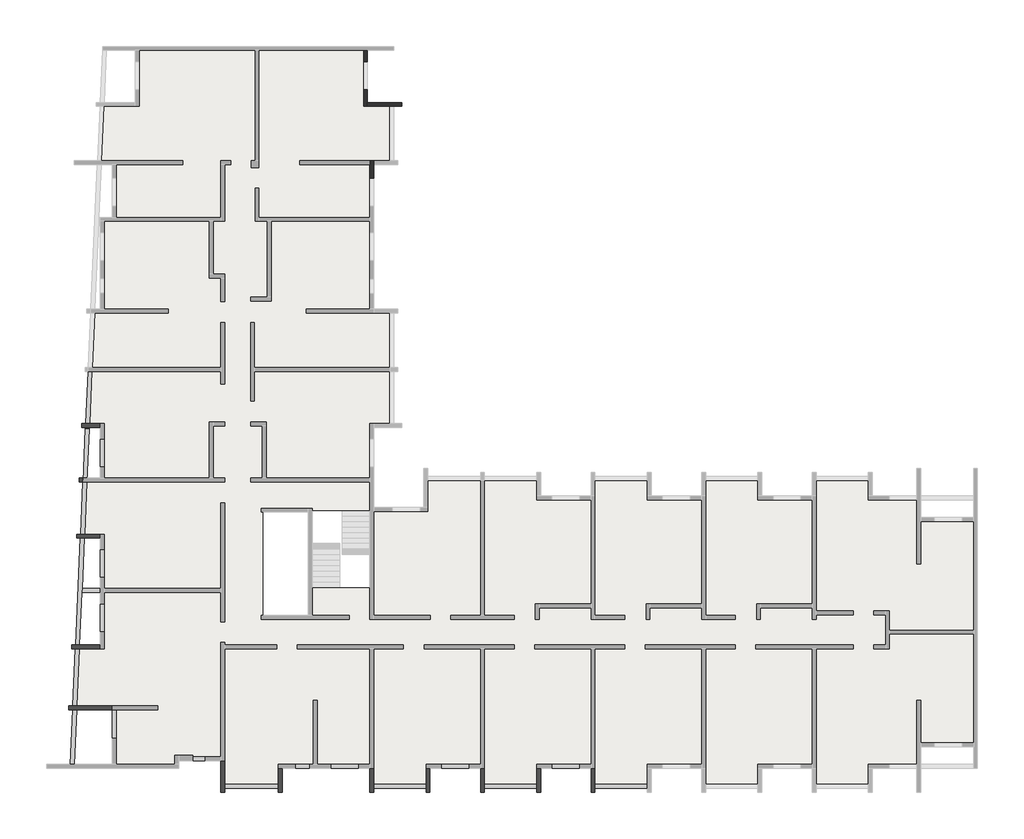
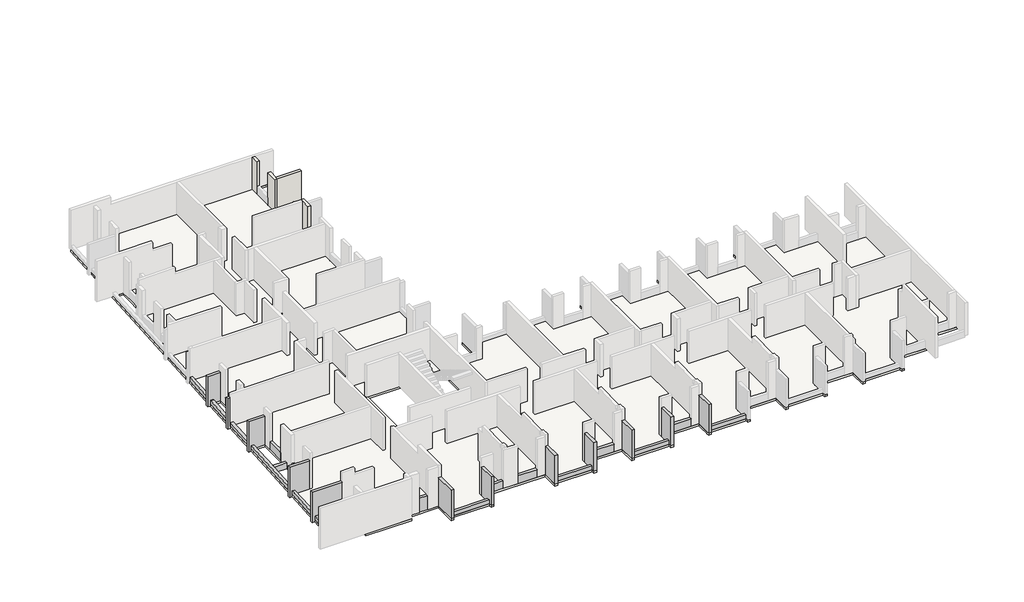
# One storey, part 3 of 4: 33 beams, 4 walls, 1 slab.
"""IFC4 building model written with IfcOpenShell, lengths in millimetres."""

from ifc_helpers import new_model, si_unit, frame, origin, place, context, project, spatial, polyline, outline, extrude, faceted_brep, element, save

model = new_model("IFC4")

# Units and contexts
model_context = context("Model", 3, world=origin())
ifc_project = project(units=[si_unit("LENGTHUNIT", "METRE", prefix="MILLI")], contexts=[model_context])

# Site, building, storey
site = spatial("IfcSite", under=ifc_project)
building = spatial("IfcBuilding", under=site)
storey = spatial("IfcBuildingStorey", under=building, Elevation=14820.0)

# Beams
placement = place(None, origin())
element("IfcBeam", 1, ObjectType="VI. 20/125", at=placement, inside=storey, context=model_context, shape_type="SweptSolid", body=[
    extrude(outline(polyline([(-37760.6912908, -18849.0672499), (-37760.6912908, -19049.0672499), (-38350.6912908, -19049.0672499), (-38350.6912908, -18849.0672499), (-37760.6912908, -18849.0672499)])), frame((0.0, 0.0, 14820.0), z_axis=(0.0, 0.0, 1.0), x_axis=(1.0, 0.0, 0.0)), (0.0, 0.0, 1.0), 1100.0),
])
element("IfcBeam", 2, ObjectType="VI. 20/238", at=placement, inside=storey, context=model_context, shape_type="Brep", body=[
    faceted_brep([(-17885.6912908, -20669.0672499, 17050.0), (-17885.6912908, -20669.0672499, 14670.0), (-17685.6912908, -20669.0672499, 14670.0), (-17685.6912908, -20669.0672499, 17050.0), (-17885.6912908, -19419.0672499, 17050.0), (-17685.6912908, -19419.0672499, 17050.0), (-17685.6912908, -19419.0672499, 14820.0), (-17885.6912908, -19419.0672499, 14820.0), (-17885.6912908, -20449.0672499, 14820.0), (-17885.6912908, -20449.0672499, 14670.0), (-17685.6912908, -20449.0672499, 14670.0), (-17685.6912908, -20449.0672499, 14820.0), (-17685.6912908, -20249.0672499, 14820.0)], [[[0, 1, 2, 3]], [[4, 5, 6, 7]], [[1, 0, 4, 7, 8, 9]], [[2, 1, 9, 10]], [[3, 2, 10, 11, 12, 6, 5]], [[0, 3, 5, 4]], [[8, 11, 10, 9]], [[11, 8, 7, 6, 12]]]),
])
element("IfcBeam", 3, ObjectType="VI. 20/238", at=placement, inside=storey, context=model_context, shape_type="Brep", body=[
    faceted_brep([(-20485.6912908, -20669.0672499, 17050.0), (-20685.6912908, -20669.0672499, 17050.0), (-20685.6912908, -20669.0672499, 14820.0), (-20485.6912908, -20669.0672499, 14820.0), (-20685.6912908, -19419.0672499, 17050.0), (-20485.6912908, -19419.0672499, 17050.0), (-20485.6912908, -19419.0672499, 14820.0), (-20685.6912908, -19419.0672499, 14820.0), (-20685.6912908, -20249.0672499, 14820.0), (-20685.6912908, -20449.0672499, 14820.0)], [[[0, 1, 2, 3]], [[4, 5, 6, 7]], [[1, 4, 7, 8, 9, 2]], [[5, 0, 3, 6]], [[1, 0, 5, 4]], [[3, 2, 9, 8, 7, 6]]]),
])
element("IfcBeam", 4, ObjectType="VI. 20/238", at=placement, inside=storey, context=model_context, shape_type="Brep", body=[
    faceted_brep([(-23575.6912908, -20669.0672499, 17050.0), (-23575.6912908, -20669.0672499, 14670.0), (-23375.6912908, -20669.0672499, 14670.0), (-23375.6912908, -20669.0672499, 17050.0), (-23575.6912908, -19419.0672499, 17050.0), (-23375.6912908, -19419.0672499, 17050.0), (-23375.6912908, -19419.0672499, 14820.0), (-23575.6912908, -19419.0672499, 14820.0), (-23575.6912908, -20449.0672499, 14820.0), (-23575.6912908, -20449.0672499, 14670.0), (-23375.6912908, -20449.0672499, 14670.0), (-23375.6912908, -20449.0672499, 14820.0), (-23375.6912908, -20249.0672499, 14820.0)], [[[0, 1, 2, 3]], [[4, 5, 6, 7]], [[1, 0, 4, 7, 8, 9]], [[2, 1, 9, 10]], [[3, 2, 10, 11, 12, 6, 5]], [[0, 3, 5, 4]], [[8, 11, 10, 9]], [[11, 8, 7, 6, 12]]]),
])
element("IfcBeam", 5, ObjectType="VI. 20/238", at=placement, inside=storey, context=model_context, shape_type="Brep", body=[
    faceted_brep([(-26175.6912908, -20669.0672499, 17050.0), (-26375.6912908, -20669.0672499, 17050.0), (-26375.6912908, -20669.0672499, 14820.0), (-26175.6912908, -20669.0672499, 14820.0), (-26375.6912908, -19419.0672499, 17050.0), (-26175.6912908, -19419.0672499, 17050.0), (-26175.6912908, -19419.0672499, 14820.0), (-26375.6912908, -19419.0672499, 14820.0), (-26375.6912908, -20249.0672499, 14820.0), (-26375.6912908, -20449.0672499, 14820.0)], [[[0, 1, 2, 3]], [[4, 5, 6, 7]], [[1, 4, 7, 8, 9, 2]], [[5, 0, 3, 6]], [[1, 0, 5, 4]], [[3, 2, 9, 8, 7, 6]]]),
])
element("IfcBeam", 6, ObjectType="VI. 20/238", at=placement, inside=storey, context=model_context, shape_type="Brep", body=[
    faceted_brep([(-29265.6912908, -20669.0672499, 17050.0), (-29265.6912908, -20669.0672499, 14670.0), (-29065.6912908, -20669.0672499, 14670.0), (-29065.6912908, -20669.0672499, 17050.0), (-29265.6912908, -19419.0672499, 17050.0), (-29065.6912908, -19419.0672499, 17050.0), (-29065.6912908, -19419.0672499, 14820.0), (-29265.6912908, -19419.0672499, 14820.0), (-29265.6912908, -20449.0672499, 14820.0), (-29265.6912908, -20449.0672499, 14670.0), (-29065.6912908, -20449.0672499, 14670.0), (-29065.6912908, -20449.0672499, 14820.0), (-29065.6912908, -20249.0672499, 14820.0)], [[[0, 1, 2, 3]], [[4, 5, 6, 7]], [[1, 0, 4, 7, 8, 9]], [[2, 1, 9, 10]], [[3, 2, 10, 11, 12, 6, 5]], [[0, 3, 5, 4]], [[8, 11, 10, 9]], [[11, 8, 7, 6, 12]]]),
])
element("IfcBeam", 7, ObjectType="VI. 20/238", at=placement, inside=storey, context=model_context, shape_type="Brep", body=[
    faceted_brep([(-33785.6912908, -20669.0672499, 17050.0), (-33985.6912908, -20669.0672499, 17050.0), (-33985.6912908, -20669.0672499, 14820.0), (-33785.6912908, -20669.0672499, 14820.0), (-33985.6912908, -19419.0672499, 17050.0), (-33785.6912908, -19419.0672499, 17050.0), (-33785.6912908, -19419.0672499, 14820.0), (-33985.6912908, -19419.0672499, 14820.0), (-33985.6912908, -20249.0672499, 14820.0), (-33985.6912908, -20449.0672499, 14820.0)], [[[0, 1, 2, 3]], [[4, 5, 6, 7]], [[1, 4, 7, 8, 9, 2]], [[5, 0, 3, 6]], [[1, 0, 5, 4]], [[3, 2, 9, 8, 7, 6]]]),
])
element("IfcBeam", 8, ObjectType="VI. 20/238", at=placement, inside=storey, context=model_context, shape_type="Brep", body=[
    faceted_brep([(-36735.6912908, -20669.0672499, 17050.0), (-36935.6912908, -20669.0672499, 17050.0), (-36935.6912908, -20669.0672499, 14820.0), (-36735.6912908, -20669.0672499, 14820.0), (-36935.6912908, -19049.0672499, 17050.0), (-36735.6912908, -19049.0672499, 17050.0), (-36735.6912908, -19049.0672499, 14820.0), (-36935.6912908, -19049.0672499, 14820.0), (-36735.6912908, -20449.0672499, 14820.0), (-36735.6912908, -20249.0672499, 14820.0)], [[[0, 1, 2, 3]], [[4, 5, 6, 7]], [[1, 4, 7, 2]], [[5, 0, 3, 8, 9, 6]], [[1, 0, 5, 4]], [[3, 2, 7, 6, 9, 8]]]),
])
element("IfcBeam", 9, ObjectType="VI. 20/238", at=placement, inside=storey, context=model_context, shape_type="Brep", body=[
    faceted_brep([(-44760.6912908, -16219.0891641, 17050.0), (-44760.6912908, -16219.0891641, 14670.0), (-44760.6912908, -16419.0891641, 14670.0), (-44760.6912908, -16419.0891641, 17050.0), (-42525.6912908, -16219.0891641, 17050.0), (-42525.6912908, -16219.0891641, 14820.0), (-44352.8043976, -16219.0891641, 14820.0), (-44553.0100894, -16219.0891641, 14820.0), (-44553.0100894, -16219.0891641, 14670.0), (-44562.0830718, -16419.0891641, 14670.0), (-44562.0830718, -16419.0891641, 14820.0), (-44361.876386, -16419.0891641, 14820.0), (-42525.6912908, -16419.0891641, 14820.0), (-42525.6912908, -16419.0891641, 17050.0)], [[[0, 1, 2, 3]], [[1, 0, 4, 5, 6, 7, 8]], [[2, 1, 8, 9]], [[3, 2, 9, 10, 11, 12, 13]], [[0, 3, 13, 4]], [[7, 10, 9, 8]], [[10, 7, 6, 5, 12, 11]], [[5, 4, 13, 12]]]),
])
element("IfcBeam", 10, ObjectType="VI. 20/238", at=placement, inside=storey, context=model_context, shape_type="Brep", body=[
    faceted_brep([(-44615.6912908, -13079.0891641, 17050.0), (-44615.6912908, -13079.0891641, 14670.0), (-44615.6912908, -13279.0891641, 14670.0), (-44615.6912908, -13279.0891641, 17050.0), (-43135.6912908, -13079.0891641, 17050.0), (-43135.6912908, -13079.0891641, 14820.0), (-44210.3575789, -13079.0891641, 14820.0), (-44410.5642648, -13079.0891641, 14820.0), (-44410.5642648, -13079.0891641, 14670.0), (-44419.6372472, -13279.0891641, 14670.0), (-44419.6372472, -13279.0891641, 14820.0), (-44219.4315555, -13279.0891641, 14820.0), (-43135.6912908, -13279.0891641, 14820.0), (-43135.6912908, -13279.0891641, 17050.0)], [[[0, 1, 2, 3]], [[1, 0, 4, 5, 6, 7, 8]], [[2, 1, 8, 9]], [[3, 2, 9, 10, 11, 12, 13]], [[0, 3, 13, 4]], [[4, 13, 12, 5]], [[7, 10, 9, 8]], [[10, 7, 6, 5, 12, 11]]]),
])
element("IfcBeam", 11, ObjectType="VI. 20/238", at=placement, inside=storey, context=model_context, shape_type="Brep", body=[
    faceted_brep([(-44355.6912908, -7379.0672499, 17050.0), (-44355.6912908, -7379.0672499, 14670.0), (-44355.6912908, -7579.0672499, 14670.0), (-44355.6912908, -7579.0672499, 17050.0), (-43135.6912908, -7379.0672499, 17050.0), (-43135.6912908, -7379.0672499, 14820.0), (-43951.7775788, -7379.0672499, 14820.0), (-44151.9832705, -7379.0672499, 14820.0), (-44151.9832705, -7379.0672499, 14670.0), (-44161.056253, -7579.0672499, 14670.0), (-44161.056253, -7579.0672499, 14820.0), (-43960.8505612, -7579.0672499, 14820.0), (-43135.6912908, -7579.0672499, 14820.0), (-43135.6912908, -7579.0672499, 17050.0)], [[[0, 1, 2, 3]], [[1, 0, 4, 5, 6, 7, 8]], [[2, 1, 8, 9]], [[3, 2, 9, 10, 11, 12, 13]], [[0, 3, 13, 4]], [[4, 13, 12, 5]], [[7, 10, 9, 8]], [[10, 7, 6, 5, 12, 11]]]),
])
element("IfcBeam", 12, ObjectType="VI. 20/238", at=placement, inside=storey, context=model_context, shape_type="Brep", body=[
    faceted_brep([(-43800.6912908, -4689.1017012, 14670.0), (-43800.6912908, -4489.1017012, 14670.0), (-43800.6912908, -4489.1017012, 14820.0), (-43800.6912908, -4689.1017012, 14820.0), (-44235.6912908, -4689.1017012, 17050.0), (-44235.6912908, -4489.1017012, 17050.0), (-44235.6912908, -4489.1017012, 14670.0), (-44235.6912908, -4689.1017012, 14670.0), (-44029.9516564, -4689.1017012, 14820.0), (-44029.9532193, -4689.1017012, 17050.0), (-44020.8802369, -4489.1017012, 17050.0), (-44020.8802369, -4489.1017012, 14820.0)], [[[0, 1, 2, 3]], [[4, 5, 6, 7]], [[4, 7, 0, 3, 8, 9]], [[1, 0, 7, 6]], [[6, 5, 10, 11, 2, 1]], [[5, 4, 9, 10]], [[11, 8, 3, 2]], [[8, 11, 10, 9]]]),
])
element("IfcBeam", 13, ObjectType="VI. 20/238", at=placement, inside=storey, context=model_context, shape_type="Brep", body=[
    faceted_brep([(-44100.6912908, -1889.5482142, 17050.0), (-44100.6912908, -1689.5482142, 17050.0), (-44100.6912908, -1689.5482142, 14670.0), (-44100.6912908, -1889.5482142, 14670.0), (-43902.9517209, -1889.5482142, 14670.0), (-43902.9517209, -1889.5482142, 14820.0), (-43702.7460292, -1889.5482142, 14820.0), (-43135.6912908, -1889.5482142, 14820.0), (-43135.6912908, -1889.5482142, 17050.0), (-43893.8787384, -1689.5482142, 14670.0), (-43135.6912908, -1689.5482142, 17050.0), (-43135.6912908, -1689.5482142, 14820.0), (-43693.6730467, -1689.5482142, 14820.0), (-43893.8787384, -1689.5482142, 14820.0)], [[[0, 1, 2, 3]], [[0, 3, 4, 5, 6, 7, 8]], [[3, 2, 9, 4]], [[2, 1, 10, 11, 12, 13, 9]], [[1, 0, 8, 10]], [[10, 8, 7, 11]], [[13, 5, 4, 9]], [[5, 13, 12, 11, 7, 6]]]),
])
element("IfcBeam", 14, ObjectType="VI. 20/45", at=placement, inside=storey, context=model_context, shape_type="SweptSolid", body=[
    extrude(outline(polyline([(-14995.6912908, -20249.0672499), (-14995.6912908, -20449.0672499), (-17685.6912908, -20449.0672499), (-17685.6912908, -20249.0672499), (-14995.6912908, -20249.0672499)])), frame((0.0, 0.0, 14820.0), z_axis=(0.0, 0.0, 1.0), x_axis=(1.0, 0.0, 0.0)), (0.0, 0.0, 1.0), 300.0),
])
element("IfcBeam", 15, ObjectType="VI. 20/45", at=placement, inside=storey, context=model_context, shape_type="SweptSolid", body=[
    extrude(outline(polyline([(-20685.6912908, -20249.0672499), (-20685.6912908, -20449.0672499), (-23375.6912908, -20449.0672499), (-23375.6912908, -20249.0672499), (-20685.6912908, -20249.0672499)])), frame((0.0, 0.0, 14820.0), z_axis=(0.0, 0.0, 1.0), x_axis=(1.0, 0.0, 0.0)), (0.0, 0.0, 1.0), 300.0),
])
element("IfcBeam", 16, ObjectType="VI. 20/45", at=placement, inside=storey, context=model_context, shape_type="SweptSolid", body=[
    extrude(outline(polyline([(-26375.6912908, -20249.0672499), (-26375.6912908, -20449.0672499), (-29065.6912908, -20449.0672499), (-29065.6912908, -20249.0672499), (-26375.6912908, -20249.0672499)])), frame((0.0, 0.0, 14820.0), z_axis=(0.0, 0.0, 1.0), x_axis=(1.0, 0.0, 0.0)), (0.0, 0.0, 1.0), 300.0),
])
element("IfcBeam", 17, ObjectType="VI. 20/45", at=placement, inside=storey, context=model_context, shape_type="SweptSolid", body=[
    extrude(outline(polyline([(-33985.6912908, -20249.0672499), (-33985.6912908, -20449.0672499), (-36735.6912908, -20449.0672499), (-36735.6912908, -20249.0672499), (-33985.6912908, -20249.0672499)])), frame((0.0, 0.0, 14820.0), z_axis=(0.0, 0.0, 1.0), x_axis=(1.0, 0.0, 0.0)), (0.0, 0.0, 1.0), 300.0),
])
element("IfcBeam", 18, ObjectType="VI. 20/45", at=placement, inside=storey, context=model_context, shape_type="SweptSolid", body=[
    extrude(outline(polyline([(-44488.8981404, -19219.0672499), (-44689.1038321, -19219.0672499), (-44562.0830718, -16419.0891641), (-44361.8773801, -16419.0891641), (-44488.8981404, -19219.0672499)])), frame((0.0, 0.0, 14670.0), z_axis=(0.0, 0.0, 1.0), x_axis=(1.0, 0.0, 0.0)), (0.0, 0.0, 1.0), 450.0),
])
element("IfcBeam", 19, ObjectType="VI. 20/45", at=placement, inside=storey, context=model_context, shape_type="SweptSolid", body=[
    extrude(outline(polyline([(-44352.8043976, -16219.0891641), (-44553.0100894, -16219.0891641), (-44419.6372472, -13279.0891641), (-44219.4315555, -13279.0891641), (-44352.8043976, -16219.0891641)])), frame((0.0, 0.0, 14820.0), z_axis=(0.0, 0.0, 1.0), x_axis=(1.0, 0.0, 0.0)), (0.0, 0.0, 1.0), 300.0),
])
element("IfcBeam", 20, ObjectType="VI. 20/45", at=placement, inside=storey, context=model_context, shape_type="Brep", body=[
    faceted_brep([(-44210.358573, -13079.0891641, 14820.0), (-43961.984684, -7604.0672499, 14820.0), (-43960.8505612, -7579.0672499, 14820.0), (-43960.8505612, -7579.0672499, 15120.0), (-44078.8008961, -10179.1017012, 15120.0), (-44087.8738785, -10379.1017012, 15120.0), (-44210.358573, -13079.0891641, 15120.0), (-44410.5642648, -13079.0891641, 14820.0), (-44410.5642648, -13079.0891641, 15120.0), (-44161.056253, -7579.0672499, 15120.0), (-44161.056253, -7579.0672499, 14820.0)], [[[0, 1, 2, 3, 4, 5, 6]], [[7, 8, 9, 10]], [[8, 6, 5, 4, 3, 9]], [[1, 0, 7, 10, 2]], [[6, 8, 7, 0]], [[3, 2, 10, 9]]]),
])
element("IfcBeam", 21, ObjectType="VI. 20/45", at=placement, inside=storey, context=model_context, shape_type="Brep", body=[
    faceted_brep([(-44087.8738785, -10379.1017012, 14670.0), (-43135.6912908, -10379.1017012, 14670.0), (-43135.6912908, -10379.1017012, 14820.0), (-43135.6912908, -10379.1017012, 15120.0), (-44087.8738785, -10379.1017012, 15120.0), (-44087.8738785, -10379.1017012, 14820.0), (-43135.6912908, -10179.1017012, 14670.0), (-44078.8008961, -10179.1017012, 14670.0), (-44078.8008961, -10179.1017012, 14820.0), (-44078.8008961, -10179.1017012, 15120.0), (-43135.6912908, -10179.1017012, 15120.0), (-43135.6912908, -10179.1017012, 14820.0)], [[[0, 1, 2, 3, 4, 5]], [[6, 1, 0, 7]], [[6, 7, 8, 9, 10, 11]], [[9, 4, 3, 10]], [[1, 6, 11, 10, 3, 2]], [[7, 0, 5, 4, 9, 8]]]),
])
element("IfcBeam", 22, ObjectType="VI. 20/45", at=placement, inside=storey, context=model_context, shape_type="Brep", body=[
    faceted_brep([(-43951.7775788, -7379.0672499, 15120.0), (-43951.7775788, -7379.0672499, 14820.0), (-43829.7475276, -4689.1017012, 14820.0), (-43829.7475276, -4689.1017012, 15120.0), (-44151.9832705, -7379.0672499, 14820.0), (-44151.9832705, -7379.0672499, 15120.0), (-44029.9532193, -4689.1017012, 15120.0), (-44029.9532193, -4689.1017012, 14820.0), (-43882.5482129, -4689.1017012, 15120.0), (-43882.5482129, -4689.1017012, 14820.0)], [[[0, 1, 2, 3]], [[4, 5, 6, 7]], [[5, 0, 3, 8, 6]], [[0, 5, 4, 1]], [[1, 4, 7, 9, 2]], [[3, 2, 9, 7, 6, 8]]]),
])
element("IfcBeam", 23, ObjectType="VI. 20/45", at=placement, inside=storey, context=model_context, shape_type="Brep", body=[
    faceted_brep([(-43705.7747362, -1956.311422, 15120.0), (-43829.7459647, -4689.0672499, 15120.0), (-43829.7459647, -4689.0672499, 14820.0), (-43820.6729822, -4489.0672499, 14820.0), (-43705.7747362, -1956.311422, 14820.0), (-44029.6489268, -4682.3940389, 15120.0), (-43905.5692558, -1947.2477611, 15120.0), (-43905.5692558, -1947.2477611, 14820.0), (-44029.6489268, -4682.3940389, 14820.0), (-43882.5482129, -4689.0672499, 15120.0), (-43882.5482129, -4689.0672499, 14820.0)], [[[0, 1, 2, 3, 4]], [[5, 6, 7, 8]], [[6, 5, 9, 1, 0]], [[4, 3, 2, 10, 8, 7]], [[9, 5, 8, 10]], [[1, 9, 10, 2]], [[6, 0, 4, 7]]]),
])
element("IfcBeam", 24, ObjectType="VI. 20/45", at=placement, inside=storey, context=model_context, shape_type="SweptSolid", body=[
    extrude(outline(polyline([(-43771.8253055, 1000.9327501), (-43571.6196137, 1000.9327501), (-43693.6730467, -1689.5482142), (-43893.8787384, -1689.5482142), (-43771.8253055, 1000.9327501)])), frame((0.0, 0.0, 14820.0), z_axis=(0.0, 0.0, 1.0), x_axis=(1.0, 0.0, 0.0)), (0.0, 0.0, 1.0), 300.0),
])
element("IfcBeam", 25, ObjectType="VI. 20/45", at=placement, inside=storey, context=model_context, shape_type="SweptSolid", body=[
    extrude(outline(polyline([(-43702.7460292, -1889.5482142), (-43705.7747362, -1956.311422), (-43905.5692558, -1947.2477611), (-43902.9517209, -1889.5482142), (-43702.7460292, -1889.5482142)])), frame((0.0, 0.0, 14820.0), z_axis=(0.0, 0.0, 1.0), x_axis=(1.0, 0.0, 0.0)), (0.0, 0.0, 1.0), 300.0),
])
element("IfcBeam", 26, ObjectType="VI. 20/75", at=placement, inside=storey, context=model_context, shape_type="SweptSolid", body=[
    extrude(outline(polyline([(-18465.6912908, -19219.0672499), (-18465.6912908, -19419.0672499), (-19905.6912908, -19419.0672499), (-19905.6912908, -19219.0672499), (-18465.6912908, -19219.0672499)])), frame((0.0, 0.0, 14820.0), z_axis=(0.0, 0.0, 1.0), x_axis=(1.0, 0.0, 0.0)), (0.0, 0.0, 1.0), 600.0),
])
element("IfcBeam", 27, ObjectType="VI. 20/75", at=placement, inside=storey, context=model_context, shape_type="SweptSolid", body=[
    extrude(outline(polyline([(-24155.6912908, -19219.0672499), (-24155.6912908, -19419.0672499), (-25595.6912908, -19419.0672499), (-25595.6912908, -19219.0672499), (-24155.6912908, -19219.0672499)])), frame((0.0, 0.0, 14820.0), z_axis=(0.0, 0.0, 1.0), x_axis=(1.0, 0.0, 0.0)), (0.0, 0.0, 1.0), 600.0),
])
element("IfcBeam", 28, ObjectType="VI. 20/75", at=placement, inside=storey, context=model_context, shape_type="SweptSolid", body=[
    extrude(outline(polyline([(-29845.6912908, -19219.0672499), (-29845.6912908, -19419.0672499), (-31285.6912908, -19419.0672499), (-31285.6912908, -19219.0672499), (-29845.6912908, -19219.0672499)])), frame((0.0, 0.0, 14820.0), z_axis=(0.0, 0.0, 1.0), x_axis=(1.0, 0.0, 0.0)), (0.0, 0.0, 1.0), 600.0),
])
element("IfcBeam", 29, ObjectType="VI. 20/75", at=placement, inside=storey, context=model_context, shape_type="SweptSolid", body=[
    extrude(outline(polyline([(-42935.6912908, -3909.0672499), (-43135.6912908, -3909.0672499), (-43135.6912908, -2469.0672499), (-42935.6912908, -2469.0672499), (-42935.6912908, -3909.0672499)])), frame((0.0, 0.0, 14820.0), z_axis=(0.0, 0.0, 1.0), x_axis=(1.0, 0.0, 0.0)), (0.0, 0.0, 1.0), 600.0),
])
element("IfcBeam", 30, ObjectType="VI. 20/75", at=placement, inside=storey, context=model_context, shape_type="SweptSolid", body=[
    extrude(outline(polyline([(-42525.6912908, -16419.0672499), (-42325.6912908, -16419.0672499), (-42325.6912908, -17889.0672499), (-42525.6912908, -17889.0672499), (-42525.6912908, -16419.0672499)])), frame((0.0, 0.0, 14820.0), z_axis=(0.0, 0.0, 1.0), x_axis=(1.0, 0.0, 0.0)), (0.0, 0.0, 1.0), 600.0),
])
element("IfcBeam", 31, ObjectType="VI. 20/75", at=placement, inside=storey, context=model_context, shape_type="SweptSolid", body=[
    extrude(outline(polyline([(-42935.6912908, -9599.0672499), (-43135.6912908, -9599.0672499), (-43135.6912908, -8159.0672499), (-42935.6912908, -8159.0672499), (-42935.6912908, -9599.0672499)])), frame((0.0, 0.0, 14820.0), z_axis=(0.0, 0.0, 1.0), x_axis=(1.0, 0.0, 0.0)), (0.0, 0.0, 1.0), 600.0),
])
element("IfcBeam", 32, ObjectType="VI. 20/75", at=placement, inside=storey, context=model_context, shape_type="SweptSolid", body=[
    extrude(outline(polyline([(-42935.6912908, -12399.0672499), (-43135.6912908, -12399.0672499), (-43135.6912908, -10959.0672499), (-42935.6912908, -10959.0672499), (-42935.6912908, -12399.0672499)])), frame((0.0, 0.0, 14820.0), z_axis=(0.0, 0.0, 1.0), x_axis=(1.0, 0.0, 0.0)), (0.0, 0.0, 1.0), 600.0),
])
element("IfcBeam", 33, ObjectType="VI. 20/75", at=placement, inside=storey, context=model_context, shape_type="SweptSolid", body=[
    extrude(outline(polyline([(-32365.6912908, -19219.0672499), (-32365.6912908, -19419.0672499), (-33105.6912908, -19419.0672499), (-33105.6912908, -19219.0672499), (-32365.6912908, -19219.0672499)])), frame((0.0, 0.0, 14820.0), z_axis=(0.0, 0.0, 1.0), x_axis=(1.0, 0.0, 0.0)), (0.0, 0.0, 1.0), 600.0),
])

# Slab
element("IfcSlab", 34, ObjectType="LHA15", at=placement, inside=storey, context=model_context, shape_type="Brep", body=[
    faceted_brep([(1994.3087092, -18319.0672499, 14670.0), (1994.3087092, -18319.0672499, 14820.0), (1189.3087092, -18319.0672499, 14820.0), (-200.6912908, -18319.0672499, 14820.0), (-925.6912908, -18319.0672499, 14820.0), (-925.6912908, -18319.0672499, 14670.0), (-925.6912908, -19419.0672499, 14820.0), (-925.6912908, -19419.0672499, 14670.0), (-925.6912908, -19219.0672499, 14670.0), (-1125.6912908, -19419.0672499, 14820.0), (-2545.6912908, -19419.0672499, 14820.0), (-3415.6912908, -19419.0672499, 14820.0), (-3415.6912908, -19419.0672499, 14670.0), (-3415.6912908, -20669.0672499, 14820.0), (-3415.6912908, -20669.0672499, 14670.0), (-6505.6912908, -20669.0672499, 14670.0), (-6505.6912908, -20669.0672499, 14820.0), (-6505.6912908, -20449.0672499, 14820.0), (-6505.6912908, -19419.0672499, 14820.0), (-6505.6912908, -19419.0672499, 14670.0), (-7085.6912908, -19419.0672499, 14820.0), (-8525.6912908, -19419.0672499, 14820.0), (-9105.6912908, -19419.0672499, 14820.0), (-9105.6912908, -19419.0672499, 14670.0), (-9105.6912908, -20669.0672499, 14820.0), (-9105.6912908, -20669.0672499, 14670.0), (-12195.6912908, -20669.0672499, 14670.0), (-12195.6912908, -20669.0672499, 14820.0), (-12195.6912908, -20449.0672499, 14820.0), (-12195.6912908, -19419.0672499, 14820.0), (-12195.6912908, -19419.0672499, 14670.0), (-12775.6912908, -19419.0672499, 14820.0), (-14215.6912908, -19419.0672499, 14820.0), (-14795.6912908, -19419.0672499, 14820.0), (-14795.6912908, -19419.0672499, 14670.0), (-14795.6912908, -20669.0672499, 14820.0), (-14795.6912908, -20669.0672499, 14670.0), (-17885.6912908, -20669.0672499, 14670.0), (-17885.6912908, -20669.0672499, 14820.0), (-17885.6912908, -20449.0672499, 14820.0), (-17885.6912908, -19419.0672499, 14820.0), (-17885.6912908, -19419.0672499, 14670.0), (-18465.6912908, -19419.0672499, 14820.0), (-19905.6912908, -19419.0672499, 14820.0), (-20485.6912908, -19419.0672499, 14820.0), (-20485.6912908, -19419.0672499, 14670.0), (-20485.6912908, -20669.0672499, 14820.0), (-20485.6912908, -20669.0672499, 14670.0), (-23575.6912908, -20669.0672499, 14670.0), (-23575.6912908, -20669.0672499, 14820.0), (-23575.6912908, -20449.0672499, 14820.0), (-23575.6912908, -19419.0672499, 14820.0), (-23575.6912908, -19419.0672499, 14670.0), (-24155.6912908, -19419.0672499, 14820.0), (-25595.6912908, -19419.0672499, 14820.0), (-26175.6912908, -19419.0672499, 14820.0), (-26175.6912908, -19419.0672499, 14670.0), (-26175.6912908, -20669.0672499, 14820.0), (-26175.6912908, -20669.0672499, 14670.0), (-29265.6912908, -20669.0672499, 14670.0), (-29265.6912908, -20669.0672499, 14820.0), (-29265.6912908, -20449.0672499, 14820.0), (-29265.6912908, -19419.0672499, 14820.0), (-29265.6912908, -19419.0672499, 14670.0), (-29845.6912908, -19419.0672499, 14820.0), (-31285.6912908, -19419.0672499, 14820.0), (-32365.6912908, -19419.0672499, 14820.0), (-33105.6912908, -19419.0672499, 14820.0), (-33785.6912908, -19419.0672499, 14820.0), (-33785.6912908, -19419.0672499, 14670.0), (-33785.6912908, -20669.0672499, 14820.0), (-33785.6912908, -20669.0672499, 14670.0), (-36935.6912908, -20669.0672499, 14670.0), (-36935.6912908, -20669.0672499, 14820.0), (-36935.6912908, -19049.0672499, 14820.0), (-36935.6912908, -19049.0672499, 14670.0), (-37760.6912908, -19049.0672499, 14820.0), (-38350.6912908, -19049.0672499, 14820.0), (-39115.6912908, -19049.0672499, 14820.0), (-39115.6912908, -19049.0672499, 14670.0), (-39115.6912908, -19419.0672499, 14820.0), (-39115.6912908, -19419.0672499, 14670.0), (-42525.6912908, -19419.0672499, 14820.0), (-42525.6912908, -19419.0672499, 14670.0), (-41335.6912908, 17730.9327501, 14670.0), (-41335.6912908, 17730.9327501, 14820.0), (-28035.6912908, 17730.9327501, 14820.0), (-28035.6912908, 17730.9327501, 14670.0), (-29395.6912908, 17530.9327501, 14670.0), (-29395.6912908, 17530.9327501, 14820.0), (-29395.6912908, 16950.9327501, 14820.0), (-29395.6912908, 15510.9327501, 14820.0), (-29395.6912908, 14850.8982988, 14820.0), (-29395.6912908, 14850.8982988, 14670.0), (-27635.6912908, 14850.8982988, 14820.0), (-27635.6912908, 14850.8982988, 14670.0), (-28035.6912908, 14650.9327501, 14670.0), (-28035.6912908, 14650.9327501, 14820.0), (-28035.6912908, 11850.9327501, 14820.0), (-28035.6912908, 11850.9327501, 14670.0), (-27835.6912908, 11650.9327501, 14670.0), (-27835.6912908, 11650.9327501, 14820.0), (-29065.6912908, 11650.9327501, 14820.0), (-29065.6912908, 11650.9327501, 14670.0), (-29065.6912908, 10925.9327501, 14820.0), (-29065.6912908, 9535.9327501, 14820.0), (-29065.6912908, 8150.9327501, 14820.0), (-29065.6912908, 6710.9327501, 14820.0), (-29065.6912908, 5760.9327501, 14820.0), (-29065.6912908, 5020.9327501, 14820.0), (-29065.6912908, 4200.9327501, 14820.0), (-29065.6912908, 4200.9327501, 14670.0), (-27835.6912908, 4200.9327501, 14820.0), (-27835.6912908, 4200.9327501, 14670.0), (-28035.6912908, 1000.9327501, 14670.0), (-28035.6912908, 1000.9327501, 14820.0), (-28035.6912908, -1689.5482142, 14820.0), (-28035.6912908, -1689.5482142, 14670.0), (-29065.6912908, -1889.5482142, 14670.0), (-29065.6912908, -1889.5482142, 14820.0), (-29065.6912908, -2469.0672499, 14820.0), (-29065.6912908, -3909.0672499, 14820.0), (-29065.6912908, -6004.0672499, 14820.0), (-29065.6912908, -6004.0672499, 14670.0), (-28115.6912908, -6004.0672499, 14820.0), (-26675.6912908, -6004.0672499, 14820.0), (-26495.6912908, -6004.0672499, 14820.0), (-26495.6912908, -6004.0672499, 14670.0), (-26495.6912908, -3999.0672499, 14820.0), (-26495.6912908, -3999.0672499, 14670.0), (-26295.6912908, -4399.0672499, 14670.0), (-26295.6912908, -4399.0672499, 14820.0), (-23575.6912908, -4399.0672499, 14820.0), (-23575.6912908, -4399.0672499, 14670.0), (-20485.6912908, -4199.0672499, 14670.0), (-20485.6912908, -4199.0672499, 14820.0), (-20485.6912908, -5419.0672499, 14820.0), (-20485.6912908, -5419.0672499, 14670.0), (-19905.6912908, -5419.0672499, 14820.0), (-18465.6912908, -5419.0672499, 14820.0), (-17885.6912908, -5419.0672499, 14820.0), (-17885.6912908, -5419.0672499, 14670.0), (-17885.6912908, -4199.0672499, 14820.0), (-17885.6912908, -4199.0672499, 14670.0), (-17685.6912908, -4399.0672499, 14670.0), (-17685.6912908, -4399.0672499, 14820.0), (-14995.6912908, -4399.0672499, 14820.0), (-14995.6912908, -4399.0672499, 14670.0), (-14795.6912908, -4199.0672499, 14670.0), (-14795.6912908, -4199.0672499, 14820.0), (-14795.6912908, -5419.0672499, 14820.0), (-14795.6912908, -5419.0672499, 14670.0), (-14215.6912908, -5419.0672499, 14820.0), (-12775.6912908, -5419.0672499, 14820.0), (-12195.6912908, -5419.0672499, 14820.0), (-12195.6912908, -5419.0672499, 14670.0), (-12195.6912908, -4199.0672499, 14820.0), (-12195.6912908, -4199.0672499, 14670.0), (-11995.6912908, -4399.0672499, 14670.0), (-11995.6912908, -4399.0672499, 14820.0), (-9305.6912908, -4399.0672499, 14820.0), (-9305.6912908, -4399.0672499, 14670.0), (-9105.6912908, -4199.0672499, 14670.0), (-9105.6912908, -4199.0672499, 14820.0), (-9105.6912908, -5419.0672499, 14820.0), (-9105.6912908, -5419.0672499, 14670.0), (-8525.6912908, -5419.0672499, 14820.0), (-7085.6912908, -5419.0672499, 14820.0), (-6505.6912908, -5419.0672499, 14820.0), (-6505.6912908, -5419.0672499, 14670.0), (-6505.6912908, -4199.0672499, 14820.0), (-6505.6912908, -4199.0672499, 14670.0), (-6305.6912908, -4399.0672499, 14670.0), (-6305.6912908, -4399.0672499, 14820.0), (-3615.6912908, -4399.0672499, 14820.0), (-3615.6912908, -4399.0672499, 14670.0), (-3415.6912908, -4199.0672499, 14670.0), (-3415.6912908, -4199.0672499, 14820.0), (-3415.6912908, -5419.0672499, 14820.0), (-3415.6912908, -5419.0672499, 14670.0), (-2545.6912908, -5419.0672499, 14820.0), (-1125.6912908, -5419.0672499, 14820.0), (-925.6912908, -5419.0672499, 14820.0), (-925.6912908, -5419.0672499, 14670.0), (-925.6912908, -6519.0672499, 14820.0), (-925.6912908, -6519.0672499, 14670.0), (-925.6912908, -5619.0672499, 14670.0), (-200.6912908, -6519.0672499, 14820.0), (1189.3087092, -6519.0672499, 14820.0), (1994.3087092, -6519.0672499, 14820.0), (1994.3087092, -6519.0672499, 14670.0), (-32245.6912908, -10104.0672499, 14670.0), (-32245.6912908, -10104.0672499, 14820.0), (-29265.6912908, -10104.0672499, 14820.0), (-29265.6912908, -10104.0672499, 14670.0), (-29265.6912908, -6184.0672499, 14820.0), (-29265.6912908, -6184.0672499, 14670.0), (-32245.6912908, -6184.0672499, 14820.0), (-32245.6912908, -6184.0672499, 14670.0), (-32245.6912908, -6244.0672499, 14820.0), (-32245.6912908, -6244.0672499, 14670.0), (-34745.6912908, -6244.0672499, 14820.0), (-34745.6912908, -6244.0672499, 14670.0), (-34745.6912908, -11559.0672499, 14820.0), (-34745.6912908, -11559.0672499, 14670.0), (-32245.6912908, -11559.0672499, 14820.0), (-32245.6912908, -11559.0672499, 14670.0), (-3615.6912908, -20449.0672499, 14670.0), (-3615.6912908, -20449.0672499, 14820.0), (-6305.6912908, -20449.0672499, 14820.0), (-6305.6912908, -20449.0672499, 14670.0), (-9305.6912908, -20449.0672499, 14670.0), (-9305.6912908, -20449.0672499, 14820.0), (-11995.6912908, -20449.0672499, 14820.0), (-11995.6912908, -20449.0672499, 14670.0), (-14995.6912908, -20449.0672499, 14670.0), (-14995.6912908, -20449.0672499, 14820.0), (-17685.6912908, -20449.0672499, 14820.0), (-17685.6912908, -20449.0672499, 14670.0), (-20685.6912908, -20449.0672499, 14670.0), (-20685.6912908, -20449.0672499, 14820.0), (-23375.6912908, -20449.0672499, 14820.0), (-23375.6912908, -20449.0672499, 14670.0), (-26375.6912908, -20449.0672499, 14670.0), (-26375.6912908, -20449.0672499, 14820.0), (-29065.6912908, -20449.0672499, 14820.0), (-29065.6912908, -20449.0672499, 14670.0), (-33985.6912908, -20449.0672499, 14670.0), (-33985.6912908, -20449.0672499, 14820.0), (-36735.6912908, -20449.0672499, 14820.0), (-36735.6912908, -20449.0672499, 14670.0), (-27635.6912908, -1889.5482142, 14670.0), (-27635.6912908, -1889.5482142, 14820.0), (-44689.1038321, -19219.0672499, 14670.0), (-44689.1038321, -19219.0672499, 14820.0), (-44562.0830718, -16419.0891641, 14820.0), (-44553.0100894, -16219.0891641, 14820.0), (-44419.6372472, -13279.0891641, 14820.0), (-44410.5642648, -13079.0891641, 14820.0), (-44161.056253, -7579.0672499, 14820.0), (-44151.9832705, -7379.0672499, 14820.0), (-44029.9532193, -4689.1017012, 14820.0), (-44029.6489268, -4682.3940389, 14820.0), (-43905.5692558, -1947.2477611, 14820.0), (-43902.9517209, -1889.5482142, 14820.0), (-43893.8787384, -1689.5482142, 14820.0), (-43771.8253055, 1000.9327501, 14820.0), (-43762.752323, 1200.9327501, 14820.0), (-43635.7305686, 4000.9327501, 14820.0), (-43626.6575861, 4200.9327501, 14820.0), (-43288.6889895, 11650.9327501, 14820.0), (-43279.616007, 11850.9327501, 14820.0), (-43152.5942526, 14650.9327501, 14820.0), (-43143.5212701, 14850.9327501, 14820.0), (-43021.9433052, 17530.9327501, 14820.0), (-43021.9433052, 17530.9327501, 14670.0), (-43143.5212701, 14850.9327501, 14670.0), (-43152.5942526, 14650.9327501, 14670.0), (-43762.752323, 1200.9327501, 14670.0), (-43771.8253055, 1000.9327501, 14670.0), (-43893.8787384, -1689.5482142, 14670.0), (-43902.9517209, -1889.5482142, 14670.0), (-44151.9832705, -7379.0672499, 14670.0), (-44161.056253, -7579.0672499, 14670.0), (-44410.5642648, -13079.0891641, 14670.0), (-44419.6372472, -13279.0891641, 14670.0), (-44553.0100894, -16219.0891641, 14670.0), (-44562.0830718, -16419.0891641, 14670.0), (-3615.6912908, -4199.0672499, 14820.0), (-6305.6912908, -4199.0672499, 14820.0), (-9305.6912908, -4199.0672499, 14820.0), (-11995.6912908, -4199.0672499, 14820.0), (-14995.6912908, -4199.0672499, 14820.0), (-17685.6912908, -4199.0672499, 14820.0), (-20685.6912908, -4199.0672499, 14820.0), (-20685.6912908, -4399.0672499, 14820.0), (-23375.6912908, -4399.0672499, 14820.0), (-23375.6912908, -4199.0672499, 14820.0), (-23575.6912908, -4199.0672499, 14820.0), (-26295.6912908, -3999.0672499, 14820.0), (-27635.6912908, -1689.5482142, 14820.0), (-27835.6912908, 1000.9327501, 14820.0), (-27835.6912908, 1200.9327501, 14820.0), (-28035.6912908, 1200.9327501, 14820.0), (-28035.6912908, 4000.9327501, 14820.0), (-27835.6912908, 4000.9327501, 14820.0), (-27835.6912908, 11850.9327501, 14820.0), (-27635.6912908, 14650.9327501, 14820.0), (-28035.6912908, 17530.9327501, 14820.0), (-41335.6912908, 16950.9327501, 14820.0), (-41335.6912908, 15510.9327501, 14820.0), (-41335.6912908, 14850.9327501, 14820.0), (-42943.3155784, 14850.9327501, 14820.0), (-42821.7376134, 17530.9327501, 14820.0), (-44488.8981404, -19219.0672499, 14820.0), (-44361.876386, -16419.0672499, 14820.0), (-42525.6912908, -16419.0672499, 14820.0), (-42525.6912908, -17889.0672499, 14820.0), (-36735.6912908, -20669.0672499, 14820.0), (-33985.6912908, -20669.0672499, 14820.0), (-29065.6912908, -20669.0672499, 14820.0), (-26375.6912908, -20669.0672499, 14820.0), (-23375.6912908, -20669.0672499, 14820.0), (-20685.6912908, -20669.0672499, 14820.0), (-17685.6912908, -20669.0672499, 14820.0), (-14995.6912908, -20669.0672499, 14820.0), (-11995.6912908, -20669.0672499, 14820.0), (-9305.6912908, -20669.0672499, 14820.0), (-6305.6912908, -20669.0672499, 14820.0), (-3615.6912908, -20669.0672499, 14820.0), (-43135.6912908, -4489.0672499, 14820.0), (-43820.6729822, -4489.0672499, 14820.0), (-43705.7747362, -1956.311422, 14820.0), (-43702.7460292, -1889.5482142, 14820.0), (-43135.6912908, -1889.5482142, 14820.0), (-43135.6912908, -2469.0672499, 14820.0), (-43135.6912908, -3909.0672499, 14820.0), (-44210.3575789, -13079.0672499, 14820.0), (-43960.8505612, -7579.0672499, 14820.0), (-43135.6912908, -7579.0672499, 14820.0), (-43135.6912908, -8159.0672499, 14820.0), (-43135.6912908, -9599.0672499, 14820.0), (-43135.6912908, -10959.0672499, 14820.0), (-43135.6912908, -12399.0672499, 14820.0), (-43135.6912908, -13079.0672499, 14820.0), (-43426.4518943, 4200.9327501, 14820.0), (-43220.9488416, 8730.9327501, 14820.0), (-43135.6912908, 8730.9327501, 14820.0), (-43135.6912908, 8150.9327501, 14820.0), (-43135.6912908, 6710.9327501, 14820.0), (-43135.6912908, 5770.9327501, 14820.0), (-43135.6912908, 5030.9327501, 14820.0), (-43135.6912908, 4200.9327501, 14820.0), (-42525.6912908, 8930.9327501, 14820.0), (-43135.6912908, 8930.9327501, 14820.0), (-43211.8758592, 8930.9327501, 14820.0), (-43088.4832977, 11650.9327501, 14820.0), (-42525.6912908, 11650.9327501, 14820.0), (-42525.6912908, 10950.9327501, 14820.0), (-42525.6912908, 9510.9327501, 14820.0), (-3615.6912908, -20669.0672499, 14670.0), (-6305.6912908, -20669.0672499, 14670.0), (-9305.6912908, -20669.0672499, 14670.0), (-11995.6912908, -20669.0672499, 14670.0), (-14995.6912908, -20669.0672499, 14670.0), (-17685.6912908, -20669.0672499, 14670.0), (-20685.6912908, -20669.0672499, 14670.0), (-23375.6912908, -20669.0672499, 14670.0), (-26375.6912908, -20669.0672499, 14670.0), (-29065.6912908, -20669.0672499, 14670.0), (-33985.6912908, -20669.0672499, 14670.0), (-36735.6912908, -20669.0672499, 14670.0), (-42525.6912908, -16419.0672499, 14670.0), (-44361.876386, -16419.0672499, 14670.0), (-44488.8981404, -19219.0672499, 14670.0), (-42821.7376134, 17530.9327501, 14670.0), (-42943.3155784, 14850.9327501, 14670.0), (-41335.6912908, 14850.9327501, 14670.0), (-28035.6912908, 17530.9327501, 14670.0), (-27635.6912908, 14650.9327501, 14670.0), (-27835.6912908, 11850.9327501, 14670.0), (-27835.6912908, 4000.9327501, 14670.0), (-28035.6912908, 4000.9327501, 14670.0), (-28035.6912908, 1200.9327501, 14670.0), (-27835.6912908, 1200.9327501, 14670.0), (-27835.6912908, 1000.9327501, 14670.0), (-27635.6912908, -1689.5482142, 14670.0), (-26295.6912908, -3999.0672499, 14670.0), (-23575.6912908, -4199.0672499, 14670.0), (-23375.6912908, -4199.0672499, 14670.0), (-23375.6912908, -4399.0672499, 14670.0), (-20685.6912908, -4399.0672499, 14670.0), (-20685.6912908, -4199.0672499, 14670.0), (-17685.6912908, -4199.0672499, 14670.0), (-14995.6912908, -4199.0672499, 14670.0), (-11995.6912908, -4199.0672499, 14670.0), (-9305.6912908, -4199.0672499, 14670.0), (-6305.6912908, -4199.0672499, 14670.0), (-3615.6912908, -4199.0672499, 14670.0), (-44210.3575789, -13079.0672499, 14670.0), (-43135.6912908, -13079.0672499, 14670.0), (-43135.6912908, -10379.1017012, 14670.0), (-43135.6912908, -10179.1017012, 14670.0), (-43135.6912908, -7579.0672499, 14670.0), (-43960.8505612, -7579.0672499, 14670.0), (-44078.8008961, -10179.1017012, 14670.0), (-44087.8738785, -10379.1017012, 14670.0), (-43135.6912908, -4489.0672499, 14670.0), (-43135.6912908, -3909.0672499, 14670.0), (-43135.6912908, -1889.5482142, 14670.0), (-43702.7460292, -1889.5482142, 14670.0), (-43820.6729822, -4489.0672499, 14670.0), (-43426.4518943, 4200.9327501, 14670.0), (-43135.6912908, 4200.9327501, 14670.0), (-43135.6912908, 8730.9327501, 14670.0), (-43220.9488416, 8730.9327501, 14670.0), (-42525.6912908, 8930.9327501, 14670.0), (-42525.6912908, 11650.9327501, 14670.0), (-43088.4832977, 11650.9327501, 14670.0), (-43211.8758592, 8930.9327501, 14670.0)], [[[0, 1, 2, 3, 4, 5]], [[5, 4, 6, 7, 8]], [[7, 6, 9, 10, 11, 12]], [[12, 11, 13, 14]], [[15, 16, 17, 18, 19]], [[19, 18, 20, 21, 22, 23]], [[23, 22, 24, 25]], [[26, 27, 28, 29, 30]], [[30, 29, 31, 32, 33, 34]], [[34, 33, 35, 36]], [[37, 38, 39, 40, 41]], [[41, 40, 42, 43, 44, 45]], [[45, 44, 46, 47]], [[48, 49, 50, 51, 52]], [[52, 51, 53, 54, 55, 56]], [[56, 55, 57, 58]], [[59, 60, 61, 62, 63]], [[63, 62, 64, 65, 66, 67, 68, 69]], [[69, 68, 70, 71]], [[72, 73, 74, 75]], [[75, 74, 76, 77, 78, 79]], [[79, 78, 80, 81]], [[81, 80, 82, 83]], [[84, 85, 86, 87]], [[88, 89, 90, 91, 92, 93]], [[93, 92, 94, 95]], [[96, 97, 98, 99]], [[100, 101, 102, 103]], [[103, 102, 104, 105, 106, 107, 108, 109, 110, 111]], [[111, 110, 112, 113]], [[114, 115, 116, 117]], [[118, 119, 120, 121, 122, 123]], [[123, 122, 124, 125, 126, 127]], [[127, 126, 128, 129]], [[130, 131, 132, 133]], [[134, 135, 136, 137]], [[137, 136, 138, 139, 140, 141]], [[141, 140, 142, 143]], [[144, 145, 146, 147]], [[148, 149, 150, 151]], [[151, 150, 152, 153, 154, 155]], [[155, 154, 156, 157]], [[158, 159, 160, 161]], [[162, 163, 164, 165]], [[165, 164, 166, 167, 168, 169]], [[169, 168, 170, 171]], [[172, 173, 174, 175]], [[176, 177, 178, 179]], [[179, 178, 180, 181, 182, 183]], [[183, 182, 184, 185, 186]], [[185, 184, 187, 188, 189, 190]], [[190, 189, 1, 0]], [[191, 192, 193, 194]], [[194, 193, 195, 196]], [[196, 195, 197, 198]], [[198, 197, 199, 200]], [[200, 199, 201, 202]], [[202, 201, 203, 204]], [[204, 203, 205, 206]], [[206, 205, 192, 191]], [[207, 208, 209, 210]], [[211, 212, 213, 214]], [[215, 216, 217, 218]], [[219, 220, 221, 222]], [[223, 224, 225, 226]], [[227, 228, 229, 230]], [[231, 232, 119, 118]], [[233, 234, 235, 236, 237, 238, 239, 240, 241, 242, 243, 244, 245, 246, 247, 248, 249, 250, 251, 252, 253, 254, 255, 256, 257, 258, 259, 260, 261, 262, 263, 264, 265, 266, 267]], [[189, 188, 187, 184, 182, 181, 180, 178, 177, 268, 174, 173, 269, 170, 168, 167, 166, 164, 163, 270, 160, 159, 271, 156, 154, 153, 152, 150, 149, 272, 146, 145, 273, 142, 140, 139, 138, 136, 135, 274, 275, 276, 277, 278, 132, 131, 279, 128, 126, 125, 124, 122, 121, 120, 119, 232, 280, 116, 115, 281, 282, 283, 284, 285, 112, 110, 109, 108, 107, 106, 105, 104, 102, 101, 286, 98, 97, 287, 94, 92, 91, 90, 89, 288, 86, 85, 289, 290, 291, 292, 293, 254, 253, 252, 251, 250, 249, 248, 247, 246, 245, 244, 243, 242, 241, 240, 239, 238, 237, 236, 235, 234, 294, 295, 296, 297, 82, 80, 78, 77, 76, 74, 73, 298, 229, 228, 299, 70, 68, 67, 66, 65, 64, 62, 61, 60, 300, 225, 224, 301, 57, 55, 54, 53, 51, 50, 49, 302, 221, 220, 303, 46, 44, 43, 42, 40, 39, 38, 304, 217, 216, 305, 35, 33, 32, 31, 29, 28, 27, 306, 213, 212, 307, 24, 22, 21, 20, 18, 17, 16, 308, 209, 208, 309, 13, 11, 10, 9, 6, 4, 3, 2, 1], [205, 203, 201, 199, 197, 195, 193, 192], [310, 311, 312, 313, 314, 315, 316], [317, 318, 319, 320, 321, 322, 323, 324], [325, 326, 327, 328, 329, 330, 331, 332], [333, 334, 335, 336, 337, 338, 339]], [[190, 0, 5, 8, 7, 12, 14, 340, 207, 210, 341, 15, 19, 23, 25, 342, 211, 214, 343, 26, 30, 34, 36, 344, 215, 218, 345, 37, 41, 45, 47, 346, 219, 222, 347, 48, 52, 56, 58, 348, 223, 226, 349, 59, 63, 69, 71, 350, 227, 230, 351, 72, 75, 79, 81, 83, 352, 353, 354, 233, 267, 266, 265, 264, 263, 262, 261, 260, 259, 258, 257, 256, 255, 355, 356, 357, 84, 87, 358, 88, 93, 95, 359, 96, 99, 360, 100, 103, 111, 113, 361, 362, 363, 364, 365, 114, 117, 366, 231, 118, 123, 127, 129, 367, 130, 133, 368, 369, 370, 371, 372, 134, 137, 141, 143, 373, 144, 147, 374, 148, 151, 155, 157, 375, 158, 161, 376, 162, 165, 169, 171, 377, 172, 175, 378, 176, 179, 183, 186, 185], [206, 191, 194, 196, 198, 200, 202, 204], [379, 380, 381, 382, 383, 384, 385, 386], [387, 388, 389, 390, 391], [392, 393, 394, 395], [396, 397, 398, 399]], [[83, 82, 297, 296, 352]], [[352, 296, 295, 353]], [[353, 295, 294, 354]], [[354, 294, 234, 233]], [[255, 254, 293, 355]], [[355, 293, 292, 356]], [[356, 292, 291, 357]], [[357, 291, 290, 289, 85, 84]], [[380, 324, 323, 322, 321, 320, 319, 383, 382, 381]], [[383, 319, 318, 384]], [[384, 318, 317, 379, 386, 385]], [[379, 317, 324, 380]], [[391, 311, 310, 387]], [[387, 310, 316, 388]], [[388, 316, 315, 314, 389]], [[389, 314, 313, 390]], [[390, 313, 312, 311, 391]], [[394, 327, 326, 395]], [[395, 326, 325, 392]], [[392, 325, 332, 393]], [[393, 332, 331, 330, 329, 328, 327, 394]], [[398, 336, 335, 399]], [[399, 335, 334, 333, 396]], [[396, 333, 339, 338, 337, 397]], [[397, 337, 336, 398]], [[14, 13, 309, 340]], [[340, 309, 208, 207]], [[210, 209, 308, 341]], [[341, 308, 16, 15]], [[25, 24, 307, 342]], [[342, 307, 212, 211]], [[214, 213, 306, 343]], [[343, 306, 27, 26]], [[36, 35, 305, 344]], [[344, 305, 216, 215]], [[218, 217, 304, 345]], [[345, 304, 38, 37]], [[47, 46, 303, 346]], [[346, 303, 220, 219]], [[222, 221, 302, 347]], [[347, 302, 49, 48]], [[58, 57, 301, 348]], [[348, 301, 224, 223]], [[226, 225, 300, 349]], [[349, 300, 60, 59]], [[71, 70, 299, 350]], [[350, 299, 228, 227]], [[230, 229, 298, 351]], [[351, 298, 73, 72]], [[129, 128, 279, 367]], [[367, 279, 131, 130]], [[371, 275, 274, 372]], [[372, 274, 135, 134]], [[143, 142, 273, 373]], [[373, 273, 145, 144]], [[147, 146, 272, 374]], [[374, 272, 149, 148]], [[157, 156, 271, 375]], [[375, 271, 159, 158]], [[161, 160, 270, 376]], [[376, 270, 163, 162]], [[171, 170, 269, 377]], [[377, 269, 173, 172]], [[175, 174, 268, 378]], [[378, 268, 177, 176]], [[87, 86, 288, 358]], [[358, 288, 89, 88]], [[95, 94, 287, 359]], [[359, 287, 97, 96]], [[99, 98, 286, 360]], [[360, 286, 101, 100]], [[113, 112, 285, 361]], [[361, 285, 284, 362]], [[362, 284, 283, 363]], [[363, 283, 282, 364]], [[364, 282, 281, 365]], [[365, 281, 115, 114]], [[117, 116, 280, 366]], [[366, 280, 232, 231]], [[133, 132, 278, 368]], [[368, 278, 277, 369]], [[369, 277, 276, 370]], [[370, 276, 275, 371]]]),
])

# Walls
element("IfcWall", 35, ObjectType="MHA20", at=placement, inside=storey, context=model_context, shape_type="Brep", body=[
    faceted_brep([(-29395.6912908, 16950.9327501, 14820.0), (-29395.6912908, 17530.9327501, 14820.0), (-29395.6912908, 17530.9327501, 17350.0), (-29395.6912908, 16950.9327501, 17350.0), (-29395.6912908, 16950.9327501, 15420.0), (-29595.6912908, 16950.9327501, 14820.0), (-29595.6912908, 16950.9327501, 15420.0), (-29595.6912908, 16950.9327501, 17350.0), (-29595.6912908, 17530.9327501, 17350.0), (-29595.6912908, 17530.9327501, 14820.0)], [[[0, 1, 2, 3, 4]], [[5, 6, 7, 8, 9]], [[1, 0, 5, 9]], [[3, 2, 8, 7]], [[0, 4, 3, 7, 6, 5]], [[2, 1, 9, 8]]]),
])
element("IfcWall", 36, ObjectType="MHA20", at=placement, inside=storey, context=model_context, shape_type="Brep", body=[
    faceted_brep([(-29065.6912908, 10950.9327501, 14820.0), (-29065.6912908, 11650.9327501, 14820.0), (-29065.6912908, 11850.9327501, 14820.0), (-29065.6912908, 11850.9327501, 17050.0), (-29065.6912908, 11850.9327501, 17350.0), (-29065.6912908, 10950.9327501, 17350.0), (-29265.6912908, 10950.9327501, 14820.0), (-29265.6912908, 10950.9327501, 17350.0), (-29265.6912908, 11650.9327501, 17350.0), (-29265.6912908, 11850.9327501, 17350.0), (-29265.6912908, 11850.9327501, 14820.0), (-29265.6912908, 11650.9327501, 14820.0)], [[[0, 1, 2, 3, 4, 5]], [[6, 7, 8, 9, 10, 11]], [[2, 1, 0, 6, 11, 10]], [[5, 4, 9, 8, 7]], [[0, 5, 7, 6]], [[4, 3, 2, 10, 9]]]),
])
element("IfcWall", 37, ObjectType="MHA20", at=placement, inside=storey, context=model_context, shape_type="Brep", body=[
    faceted_brep([(-29595.6912908, 15510.9327501, 14820.0), (-29595.6912908, 14650.9327501, 14820.0), (-29595.6912908, 14650.9327501, 17350.0), (-29595.6912908, 15510.9327501, 17350.0), (-29595.6912908, 15510.9327501, 15420.0), (-29395.6912908, 15510.9327501, 14820.0), (-29395.6912908, 15510.9327501, 15420.0), (-29395.6912908, 15510.9327501, 17350.0), (-29395.6912908, 14850.9327501, 17350.0), (-29395.6912908, 14650.9327501, 17350.0), (-29395.6912908, 14650.9327501, 14820.0), (-29395.6912908, 14850.9327501, 14820.0)], [[[0, 1, 2, 3, 4]], [[5, 6, 7, 8, 9, 10, 11]], [[1, 0, 5, 11, 10]], [[3, 2, 9, 8, 7]], [[0, 4, 3, 7, 6, 5]], [[2, 1, 10, 9]]]),
])
element("IfcWall", 38, ObjectType="MHA20", at=placement, inside=storey, context=model_context, shape_type="Brep", body=[
    faceted_brep([(-29395.6912908, 14650.9327501, 14820.0), (-28235.6912908, 14650.9327501, 14820.0), (-28035.6912908, 14650.9327501, 14820.0), (-27635.6912908, 14650.9327501, 14820.0), (-27635.6912908, 14650.9327501, 17350.0), (-29395.6912908, 14650.9327501, 17350.0), (-29395.6912908, 14850.9327501, 14820.0), (-29395.6912908, 14850.9327501, 17350.0), (-27635.6912908, 14850.9327501, 17350.0), (-27635.6912908, 14850.9327501, 14820.0)], [[[0, 1, 2, 3, 4, 5]], [[6, 7, 8, 9]], [[3, 2, 1, 0, 6, 9]], [[4, 3, 9, 8]], [[5, 4, 8, 7]], [[0, 5, 7, 6]]]),
])

save(model, "model.ifc")
